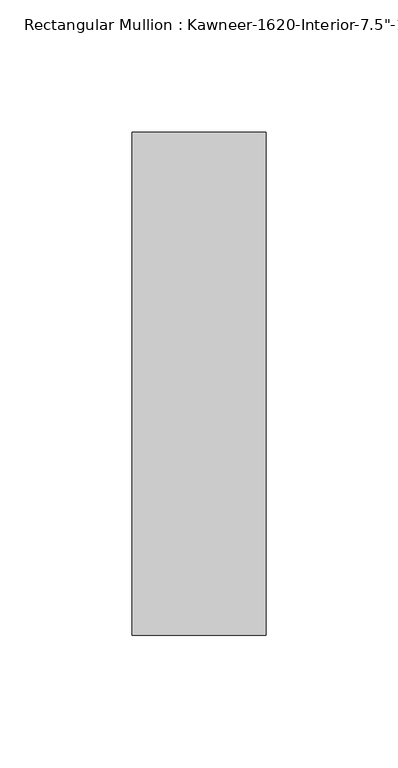
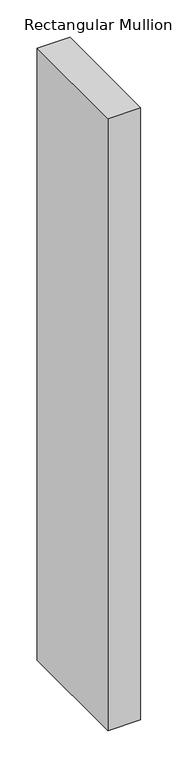
"""IFC4 building model written with IfcOpenShell, lengths in millimetres: member geometry."""

from ifc_helpers import new_model, si_unit, frame, origin, place, context, project, spatial, polyline, outline, extrude, source, transform, mapped, element, save


def member_d039e54e(model_context):
    return source(origin(), model_context, "Body", "SweptSolid", [
        extrude(outline(polyline([(25.4, -161.925), (-25.4, -161.925), (-25.4, 28.575), (25.4, 28.575), (25.4, -161.925)])), frame((0.0, 0.0, -1003.3), z_axis=(0.0, 0.0, 1.0), x_axis=(1.0, 0.0, 0.0)), (0.0, 0.0, 1.0), 1003.3),
    ])


if __name__ == "__main__":
    model = new_model("IFC4")
    model_context = context("Model", 3, world=origin())
    ifc_project = project(units=[si_unit("LENGTHUNIT", "METRE", prefix="MILLI")], contexts=[model_context])
    site = spatial("IfcSite", under=ifc_project)
    building = spatial("IfcBuilding", under=site)
    placement = place(None, origin())
    member_shape = member_d039e54e(model_context)
    element("IfcMember", 1, ObjectType="Rectangular Mullion : Kawneer-1620-Interior-7.5\"-1/4\"Infill", at=placement, inside=building, context=model_context, shape_type="MappedRepresentation", body=[
        mapped(member_shape, transform((0.0, 0.0, 0.0), x_axis=(1.0, 0.0, 0.0), y_axis=(0.0, 1.0, 0.0), z_axis=(0.0, 0.0, 1.0))),
    ])
    save(model, "model.ifc")
